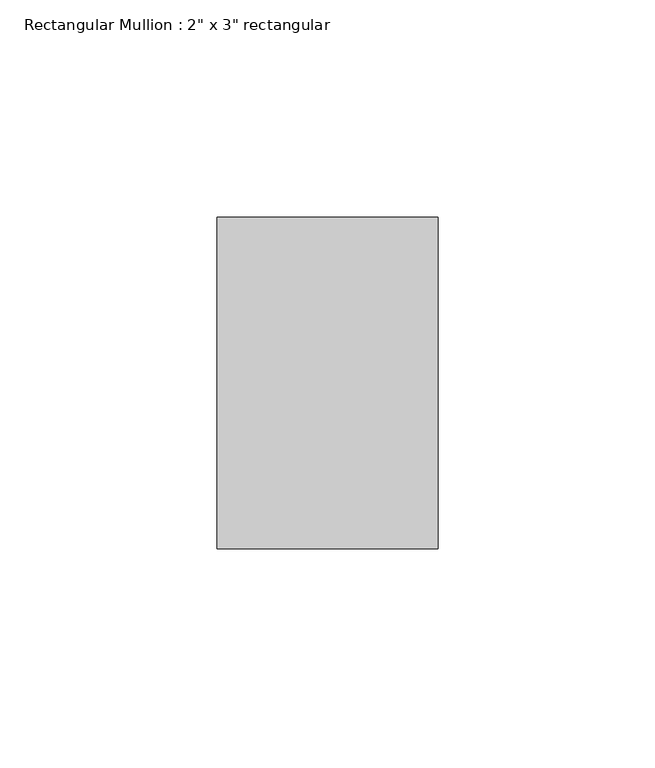
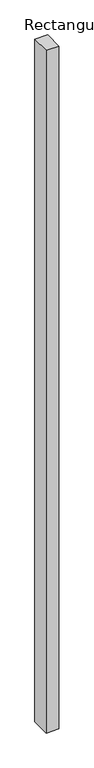
"""IFC4 building model written with IfcOpenShell, lengths in millimetres: member geometry."""

from ifc_helpers import new_model, si_unit, frame, origin, place, context, project, spatial, polyline, outline, extrude, source, transform, mapped, element, save


def member_2d45ce20(model_context):
    return source(origin(), model_context, "Body", "SweptSolid", [
        extrude(outline(polyline([(0.0, 38.1), (0.0, -38.1), (-50.8, -38.1), (-50.8, 38.1), (0.0, 38.1)])), frame((0.0, 0.0, -2844.8), z_axis=(0.0, 0.0, 1.0), x_axis=(1.0, 0.0, 0.0)), (0.0, 0.0, 1.0), 2844.8),
    ])


if __name__ == "__main__":
    model = new_model("IFC4")
    model_context = context("Model", 3, world=origin())
    ifc_project = project(units=[si_unit("LENGTHUNIT", "METRE", prefix="MILLI")], contexts=[model_context])
    site = spatial("IfcSite", under=ifc_project)
    building = spatial("IfcBuilding", under=site)
    placement = place(None, origin())
    member_shape = member_2d45ce20(model_context)
    element("IfcMember", 1, ObjectType="Rectangular Mullion : 2\" x 3\" rectangular", at=placement, inside=building, context=model_context, shape_type="MappedRepresentation", body=[
        mapped(member_shape, transform((0.0, 0.0, 0.0), x_axis=(1.0, 0.0, 0.0), y_axis=(0.0, 1.0, 0.0), z_axis=(0.0, 0.0, 1.0))),
    ])
    save(model, "model.ifc")
